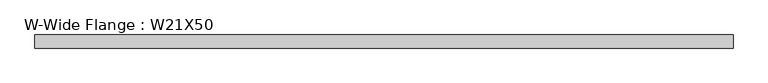
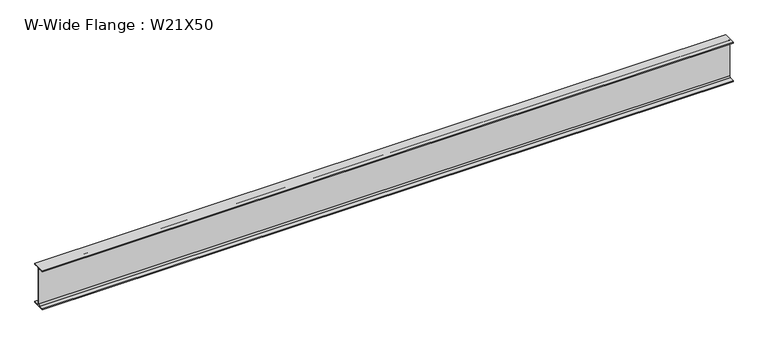
"""IFC4 building model written with IfcOpenShell, lengths in millimetres: beam geometry, W-Wide Flange : W21X50."""

from ifc_helpers import new_model, si_unit, point, frame, frame_2d, origin, place, context, project, spatial, polyline, circle_curve, trimmed, segment, composite_curve, outline, extrude, source, transform, mapped, element, save


def w_wide_flange_w21x50_68a24311(model_context):
    return source(origin(), model_context, "Body", "SweptSolid", [
        extrude(outline(composite_curve([segment(polyline([(82.946875, -250.5769531), (82.946875, -264.1699219), (-82.946875, -264.1699219), (-82.946875, -250.5769531), (-22.9691406, -250.5769531)]), True, "CONTINUOUS"), segment(trimmed(circle_curve(frame_2d((-22.9691406, -232.4199219)), 18.1570312), [point((-22.9691406, -250.5769531))], [point((-4.8121094, -232.4199219))], True, "CARTESIAN"), True, "CONTINUOUS"), segment(polyline([(-4.8121094, -232.4199219), (-4.8121094, 232.4199219)]), True, "CONTINUOUS"), segment(trimmed(circle_curve(frame_2d((-22.9691406, 232.4199219)), 18.1570312), [point((-4.8121094, 232.4199219))], [point((-22.9691406, 250.5769531))], True, "CARTESIAN"), True, "CONTINUOUS"), segment(polyline([(-22.9691406, 250.5769531), (-82.946875, 250.5769531), (-82.946875, 264.1699219), (82.946875, 264.1699219), (82.946875, 250.5769531), (22.9691406, 250.5769531)]), True, "CONTINUOUS"), segment(trimmed(circle_curve(frame_2d((22.9691406, 232.4199219)), 18.1570312), [point((22.9691406, 250.5769531))], [point((4.8121094, 232.4199219))], True, "CARTESIAN"), True, "CONTINUOUS"), segment(polyline([(4.8121094, 232.4199219), (4.8121094, -232.4199219)]), True, "CONTINUOUS"), segment(trimmed(circle_curve(frame_2d((22.9691406, -232.4199219)), 18.1570312), [point((4.8121094, -232.4199219))], [point((22.9691406, -250.5769531))], True, "CARTESIAN"), True, "CONTINUOUS"), segment(polyline([(22.9691406, -250.5769531), (82.946875, -250.5769531)]), True, "CONTINUOUS")], self_intersect=False)), frame((-4404.3699219, 0.0, 0.0), z_axis=(1.0, 0.0, 0.0), x_axis=(0.0, 1.0, 0.0)), (0.0, 0.0, 1.0), 8808.7398438),
    ])


if __name__ == "__main__":
    model = new_model("IFC4")
    model_context = context("Model", 3, world=origin())
    ifc_project = project(units=[si_unit("LENGTHUNIT", "METRE", prefix="MILLI")], contexts=[model_context])
    site = spatial("IfcSite", under=ifc_project)
    building = spatial("IfcBuilding", under=site)
    placement = place(None, origin())
    w_wide_flange_w21x50_shape = w_wide_flange_w21x50_68a24311(model_context)
    element("IfcBeam", 1, ObjectType="W-Wide Flange : W21X50", at=placement, inside=building, context=model_context, shape_type="MappedRepresentation", body=[
        mapped(w_wide_flange_w21x50_shape, transform((0.0, 0.0, 0.0), x_axis=(1.0, 0.0, 0.0), y_axis=(0.0, 1.0, 0.0), z_axis=(0.0, 0.0, 1.0))),
    ])
    save(model, "model.ifc")
